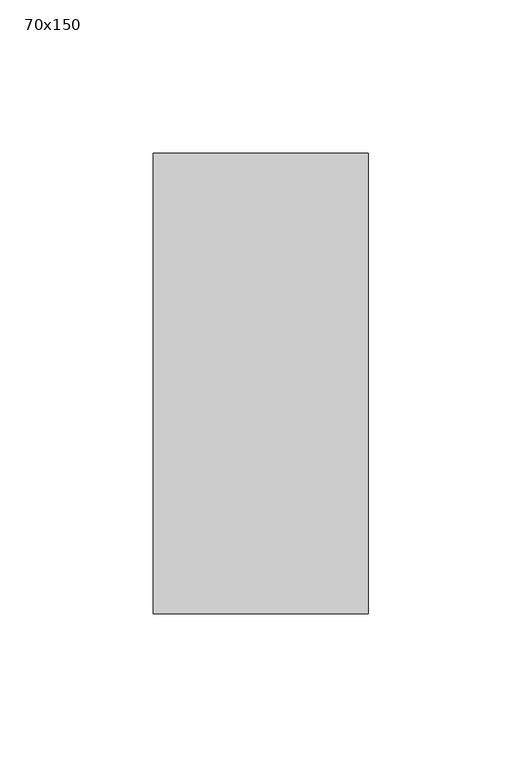
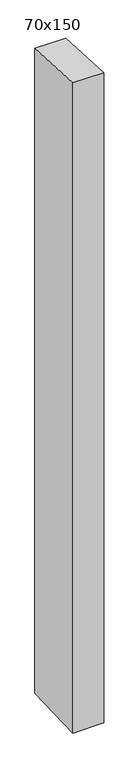
"""IFC4 building model written with IfcOpenShell, lengths in millimetres: member geometry, 70x150."""

from ifc_helpers import new_model, si_unit, frame, origin, place, context, project, spatial, polyline, outline, extrude, source, transform, mapped, element, save


def member_70x150_2c6fc4b2(model_context):
    return source(origin(), model_context, "Body", "SweptSolid", [
        extrude(outline(polyline([(-75.0, 3.9730116), (75.0, -3.9730116), (75.0, -1557.4638089), (-75.0, -1562.7740887), (-75.0, 3.9730116)])), frame((-35.0, 0.0, 0.0), z_axis=(1.0, 0.0, 0.0), x_axis=(0.0, 1.0, 0.0)), (0.0, 0.0, 1.0), 70.0),
    ])


if __name__ == "__main__":
    model = new_model("IFC4")
    model_context = context("Model", 3, world=origin())
    ifc_project = project(units=[si_unit("LENGTHUNIT", "METRE", prefix="MILLI")], contexts=[model_context])
    site = spatial("IfcSite", under=ifc_project)
    building = spatial("IfcBuilding", under=site)
    placement = place(None, origin())
    member_70x150_shape = member_70x150_2c6fc4b2(model_context)
    element("IfcMember", 1, ObjectType="70x150", at=placement, inside=building, context=model_context, shape_type="MappedRepresentation", body=[
        mapped(member_70x150_shape, transform((0.0, 0.0, 0.0), x_axis=(1.0, 0.0, 0.0), y_axis=(0.0, 1.0, 0.0), z_axis=(0.0, 0.0, 1.0))),
    ])
    save(model, "model.ifc")
